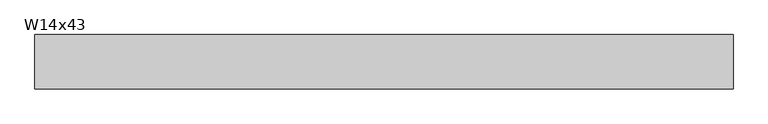
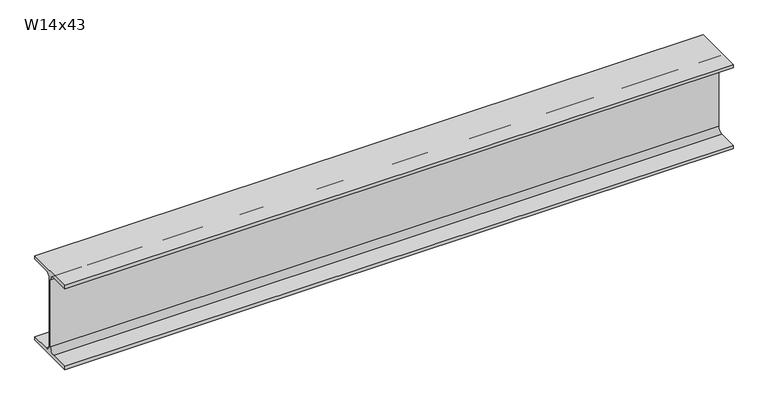
"""IFC4 building model written with IfcOpenShell, lengths in millimetres: beam geometry, W14x43."""

from ifc_helpers import new_model, si_unit, point, frame, frame_2d, origin, place, context, project, spatial, polyline, circle_curve, trimmed, segment, composite_curve, outline, extrude, source, transform, mapped, element, save


def w14x43_7ed05002(model_context):
    return source(origin(), model_context, "Body", "SweptSolid", [
        extrude(outline(composite_curve([segment(polyline([(101.6, -160.528), (101.6, -173.99), (-101.6, -173.99), (-101.6, -160.528), (-25.3365, -160.528)]), True, "CONTINUOUS"), segment(trimmed(circle_curve(frame_2d((-25.3365, -139.065)), 21.463), [point((-25.3365, -160.528))], [point((-3.8735, -139.065))], True, "CARTESIAN"), True, "CONTINUOUS"), segment(polyline([(-3.8735, -139.065), (-3.8735, 139.065)]), True, "CONTINUOUS"), segment(trimmed(circle_curve(frame_2d((-25.3365, 139.065)), 21.463), [point((-3.8735, 139.065))], [point((-25.3365, 160.528))], True, "CARTESIAN"), True, "CONTINUOUS"), segment(polyline([(-25.3365, 160.528), (-101.6, 160.528), (-101.6, 173.99), (101.6, 173.99), (101.6, 160.528), (25.3365, 160.528)]), True, "CONTINUOUS"), segment(trimmed(circle_curve(frame_2d((25.3365, 139.065)), 21.463), [point((25.3365, 160.528))], [point((3.8735, 139.065))], True, "CARTESIAN"), True, "CONTINUOUS"), segment(polyline([(3.8735, 139.065), (3.8735, -139.065)]), True, "CONTINUOUS"), segment(trimmed(circle_curve(frame_2d((25.3365, -139.065)), 21.463), [point((3.8735, -139.065))], [point((25.3365, -160.528))], True, "CARTESIAN"), True, "CONTINUOUS"), segment(polyline([(25.3365, -160.528), (101.6, -160.528)]), True, "CONTINUOUS")], self_intersect=False)), frame((-1332.484, 0.0, 0.0), z_axis=(1.0, 0.0, 0.0), x_axis=(0.0, 1.0, 0.0)), (0.0, 0.0, 1.0), 2611.374),
    ])


if __name__ == "__main__":
    model = new_model("IFC4")
    model_context = context("Model", 3, world=origin())
    ifc_project = project(units=[si_unit("LENGTHUNIT", "METRE", prefix="MILLI")], contexts=[model_context])
    site = spatial("IfcSite", under=ifc_project)
    building = spatial("IfcBuilding", under=site)
    placement = place(None, origin())
    w14x43_shape = w14x43_7ed05002(model_context)
    element("IfcBeam", 1, ObjectType="W14x43", at=placement, inside=building, context=model_context, shape_type="MappedRepresentation", body=[
        mapped(w14x43_shape, transform((0.0, 0.0, 0.0), x_axis=(1.0, 0.0, 0.0), y_axis=(0.0, 1.0, 0.0), z_axis=(0.0, 0.0, 1.0))),
    ])
    save(model, "model.ifc")
